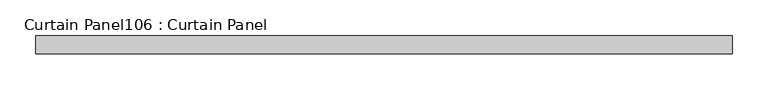
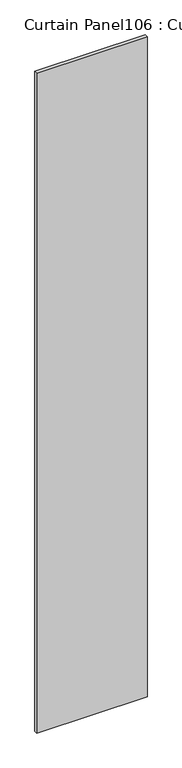
"""IFC4 building model written with IfcOpenShell, lengths in millimetres: plate geometry, Curtain Panel106 : Curtain Panel."""

from ifc_helpers import new_model, si_unit, frame, origin, place, context, project, spatial, polyline, outline, extrude, source, transform, mapped, element, save


def curtain_panel106_curtain_panel_62e6e3c7(model_context):
    return source(origin(), model_context, "Body", "SweptSolid", [
        extrude(outline(polyline([(237832.5386393, 2341.4234836), (236852.9998159, 2341.4234836), (236852.9998159, 2366.8234836), (237832.5386393, 2366.8234836), (237832.5386393, 2341.4234836)])), frame((0.0, 0.0, 4914.2249337), z_axis=(0.0, 0.0, 1.0), x_axis=(1.0, 0.0, 0.0)), (0.0, 0.0, 1.0), 6186.1483186),
    ])


if __name__ == "__main__":
    model = new_model("IFC4")
    model_context = context("Model", 3, world=origin())
    ifc_project = project(units=[si_unit("LENGTHUNIT", "METRE", prefix="MILLI")], contexts=[model_context])
    site = spatial("IfcSite", under=ifc_project)
    building = spatial("IfcBuilding", under=site)
    placement = place(None, origin())
    curtain_panel106_curtain_panel_shape = curtain_panel106_curtain_panel_62e6e3c7(model_context)
    element("IfcPlate", 1, ObjectType="Curtain Panel106 : Curtain Panel", at=placement, inside=building, context=model_context, shape_type="MappedRepresentation", body=[
        mapped(curtain_panel106_curtain_panel_shape, transform((0.0, 0.0, 0.0), x_axis=(1.0, 0.0, 0.0), y_axis=(0.0, 1.0, 0.0), z_axis=(0.0, 0.0, 1.0))),
    ])
    save(model, "model.ifc")
